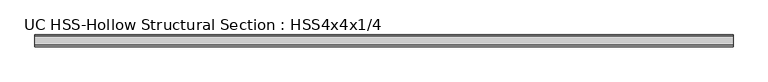
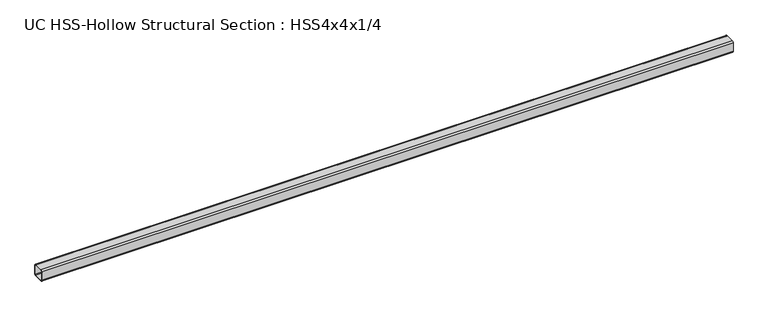
"""IFC4 building model written with IfcOpenShell, lengths in millimetres: member geometry, UC HSS-Hollow Structural Section : HSS4x4x1/4."""

from ifc_helpers import new_model, si_unit, point, frame, frame_2d, origin, place, context, project, spatial, polyline, circle_curve, trimmed, segment, composite_curve, outline, extrude, source, transform, mapped, element, save


def uc_hss_hollow_structural_section_hss4x4x1_4_684b90f2(model_context):
    return source(origin(), model_context, "Body", "SweptSolid", [
        extrude(outline(composite_curve([segment(trimmed(circle_curve(frame_2d((-38.9636, 38.9636)), 11.8364), [point((-50.8, 38.9636))], [point((-38.9636, 50.8))], False, "CARTESIAN"), True, "CONTINUOUS"), segment(polyline([(-38.9636, 50.8), (38.9636, 50.8)]), True, "CONTINUOUS"), segment(trimmed(circle_curve(frame_2d((38.9636, 38.9636)), 11.8364), [point((38.9636, 50.8))], [point((50.8, 38.9636))], False, "CARTESIAN"), True, "CONTINUOUS"), segment(polyline([(50.8, 38.9636), (50.8, -38.9636)]), True, "CONTINUOUS"), segment(trimmed(circle_curve(frame_2d((38.9636, -38.9636)), 11.8364), [point((50.8, -38.9636))], [point((38.9636, -50.8))], False, "CARTESIAN"), True, "CONTINUOUS"), segment(polyline([(38.9636, -50.8), (-38.9636, -50.8)]), True, "CONTINUOUS"), segment(trimmed(circle_curve(frame_2d((-38.9636, -38.9636)), 11.8364), [point((-38.9636, -50.8))], [point((-50.8, -38.9636))], False, "CARTESIAN"), True, "CONTINUOUS"), segment(polyline([(-50.8, -38.9636), (-50.8, 38.9636)]), True, "CONTINUOUS")], self_intersect=False), holes=[composite_curve([segment(polyline([(38.9636, 44.8818), (-38.9636, 44.8818)]), True, "CONTINUOUS"), segment(trimmed(circle_curve(frame_2d((-38.9636, 38.9636)), 5.9182), [point((-38.9636, 44.8818))], [point((-44.8818, 38.9636))], True, "CARTESIAN"), True, "CONTINUOUS"), segment(polyline([(-44.8818, 38.9636), (-44.8818, -38.9636)]), True, "CONTINUOUS"), segment(trimmed(circle_curve(frame_2d((-38.9636, -38.9636)), 5.9182), [point((-44.8818, -38.9636))], [point((-38.9636, -44.8818))], True, "CARTESIAN"), True, "CONTINUOUS"), segment(polyline([(-38.9636, -44.8818), (38.9636, -44.8818)]), True, "CONTINUOUS"), segment(trimmed(circle_curve(frame_2d((38.9636, -38.9636)), 5.9182), [point((38.9636, -44.8818))], [point((44.8818, -38.9636))], True, "CARTESIAN"), True, "CONTINUOUS"), segment(polyline([(44.8818, -38.9636), (44.8818, 38.9636)]), True, "CONTINUOUS"), segment(trimmed(circle_curve(frame_2d((38.9636, 38.9636)), 5.9182), [point((44.8818, 38.9636))], [point((38.9636, 44.8818))], True, "CARTESIAN"), True, "CONTINUOUS")], self_intersect=False)]), frame((-2866.464551, 0.0, 0.0), z_axis=(1.0, 0.0, 0.0), x_axis=(0.0, 1.0, 0.0)), (0.0, 0.0, 1.0), 6007.5698395),
    ])


if __name__ == "__main__":
    model = new_model("IFC4")
    model_context = context("Model", 3, world=origin())
    ifc_project = project(units=[si_unit("LENGTHUNIT", "METRE", prefix="MILLI")], contexts=[model_context])
    site = spatial("IfcSite", under=ifc_project)
    building = spatial("IfcBuilding", under=site)
    placement = place(None, origin())
    uc_hss_hollow_structural_section_hss4x4x1_4_shape = uc_hss_hollow_structural_section_hss4x4x1_4_684b90f2(model_context)
    element("IfcMember", 1, ObjectType="UC HSS-Hollow Structural Section : HSS4x4x1/4", at=placement, inside=building, context=model_context, shape_type="MappedRepresentation", body=[
        mapped(uc_hss_hollow_structural_section_hss4x4x1_4_shape, transform((0.0, 0.0, 0.0), x_axis=(1.0, 0.0, 0.0), y_axis=(0.0, 1.0, 0.0), z_axis=(0.0, 0.0, 1.0))),
    ])
    save(model, "model.ifc")
